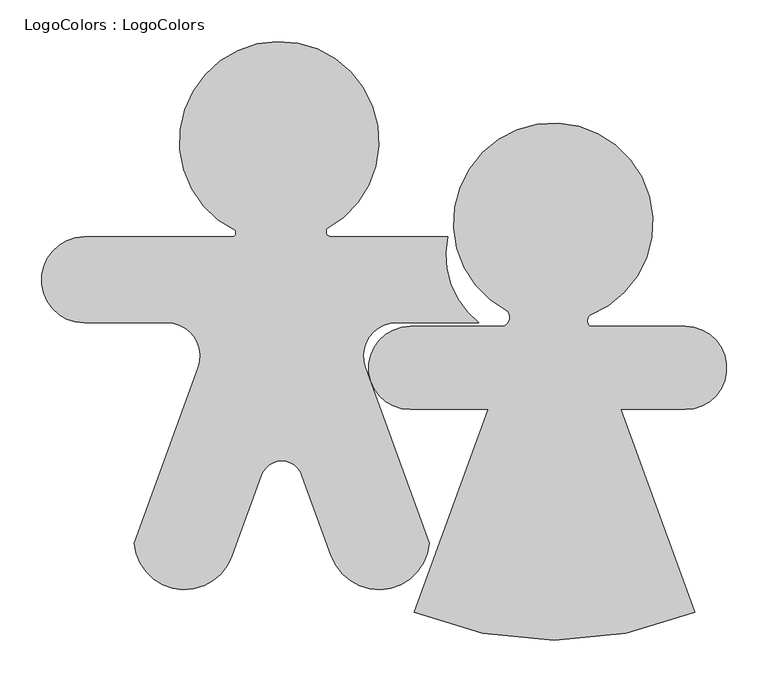
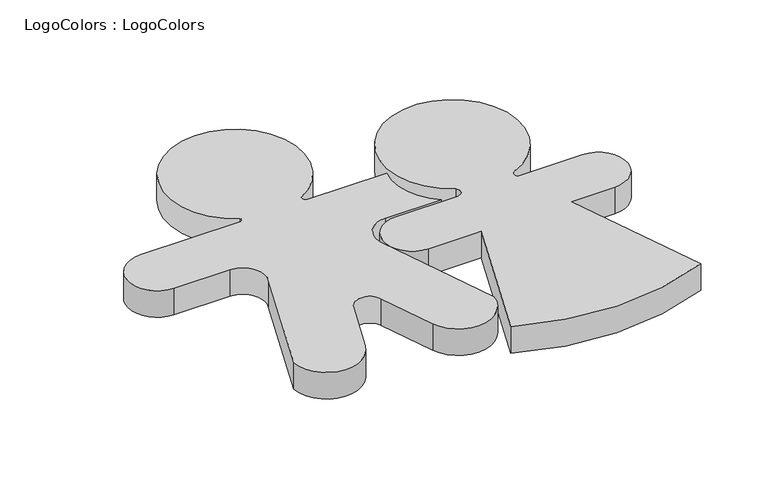
"""IFC4 building model written with IfcOpenShell, lengths in millimetres: furniture geometry, LogoColors : LogoColors."""

import ifcopenshell
import ifcopenshell.guid

model = None  # the IFC model being written
_history = None  # IfcOwnerHistory: only IFC2X3 demands one
_inside = {}  # id of a spatial element -> (the spatial element, [elements in it])
_under = {}  # id of a project, library or spatial element -> (it, [spatial elements below it])
_declared = {}  # id of a project -> (the project, [libraries it declares])
_typed = {}  # id of a type object -> (the type object, [elements of that type])
_made_of = {}  # id of a material, layer set ... -> (it, [elements and type objects made of it])


def new_model(schema):
    """Start an empty IFC model of exactly this schema.

    Asked for "IFC4X3", IfcOpenShell would pick the latest addendum, in which some entities
    have other attributes; the version numbers below select the first issue.
    IFC2X3 requires an IfcOwnerHistory on every rooted entity: one is made here for all.
    """
    global model, _history
    if schema == "IFC4X3":
        model = ifcopenshell.file(schema_version=(4, 3, 0, 0))
    else:
        model = ifcopenshell.file(schema=schema)
    _inside.clear()
    _under.clear()
    _declared.clear()
    _typed.clear()
    _made_of.clear()
    _history = None
    if model.schema == "IFC2X3":
        org = make("IfcOrganization", Name="unknown")
        user = make(
            "IfcPersonAndOrganization",
            ThePerson=make("IfcPerson", FamilyName="unknown"),
            TheOrganization=org,
        )
        app = make(
            "IfcApplication",
            ApplicationDeveloper=org,
            Version="unknown",
            ApplicationFullName="unknown",
            ApplicationIdentifier="unknown",
        )
        _history = make(
            "IfcOwnerHistory",
            OwningUser=user,
            OwningApplication=app,
            ChangeAction="ADDED",
            CreationDate=0,
        )
    return model


def make(cls, **values):
    """One entity of the class cls with the attributes given. An attribute that is None is left unset."""
    return model.create_entity(
        cls, **{name: value for name, value in values.items() if value is not None}
    )


def rooted(cls, **values):
    """An entity with a GlobalId (a new one), such as an element, a storey or a relation."""
    return make(cls, GlobalId=ifcopenshell.guid.new(), OwnerHistory=_history, **values)


def si_unit(unit_type, name, prefix=None):
    """IfcSIUnit, for example si_unit("LENGTHUNIT", "METRE", prefix="MILLI")."""
    return make("IfcSIUnit", UnitType=unit_type, Prefix=prefix, Name=name)


def assignment(units):
    """IfcUnitAssignment: the units of a project."""
    return None if units is None else make("IfcUnitAssignment", Units=units)


def point(xyz):
    """IfcCartesianPoint."""
    return None if xyz is None else make("IfcCartesianPoint", Coordinates=xyz)


def direction(xyz):
    """IfcDirection."""
    return None if xyz is None else make("IfcDirection", DirectionRatios=xyz)


def frame(location, z_axis=None, x_axis=None):
    """IfcAxis2Placement3D, a coordinate frame: its origin and axes. An axis left out is left unset."""
    return make(
        "IfcAxis2Placement3D",
        Location=point(location),
        Axis=direction(z_axis),
        RefDirection=direction(x_axis),
    )


def frame_2d(location, x_axis=None):
    """IfcAxis2Placement2D, a coordinate frame in the plane: its origin and x axis."""
    return make(
        "IfcAxis2Placement2D", Location=point(location), RefDirection=direction(x_axis)
    )


def origin():
    """The frame at (0, 0, 0) with its axes left unset."""
    return frame((0.0, 0.0, 0.0))


def origin_with_axes():
    """The frame at (0, 0, 0) with the z axis (0, 0, 1) and the x axis (1, 0, 0) written out."""
    return frame((0.0, 0.0, 0.0), z_axis=(0.0, 0.0, 1.0), x_axis=(1.0, 0.0, 0.0))


def place(relative_to, where):
    """IfcLocalPlacement: puts the frame where relative to a parent placement (None: the world)."""
    return make(
        "IfcLocalPlacement", PlacementRelTo=relative_to, RelativePlacement=where
    )


def context(
    kind, dimensions, precision=None, world=None, true_north=None, identifier=None
):
    """IfcGeometricRepresentationContext, for example the 3D "Model" context."""
    return make(
        "IfcGeometricRepresentationContext",
        ContextIdentifier=identifier,
        ContextType=kind,
        CoordinateSpaceDimension=dimensions,
        Precision=precision,
        WorldCoordinateSystem=world,
        TrueNorth=true_north,
    )


def project(units=None, contexts=None):
    """IfcProject with its units and contexts."""
    return rooted(
        "IfcProject",
        Name="project",
        RepresentationContexts=contexts,
        UnitsInContext=assignment(units),
    )


def spatial(cls, under=None, at=None, **own):
    """A site, building, storey or space (cls), placed at a placement, below another one or the project."""
    s = rooted(cls, ObjectPlacement=at, **own)
    if under is not None:
        _under.setdefault(under.id(), (under, []))[1].append(s)
    return s


def polyline(points):
    """IfcPolyline through the points."""
    return make("IfcPolyline", Points=[point(p) for p in points])


def circle_curve(where, radius):
    """IfcCircle in the frame where."""
    return make("IfcCircle", Position=where, Radius=radius)


def trimmed(basis, trim1, trim2, sense, master):
    """IfcTrimmedCurve: the piece of a basis curve between two trims."""
    return make(
        "IfcTrimmedCurve",
        BasisCurve=basis,
        Trim1=trim1,
        Trim2=trim2,
        SenseAgreement=sense,
        MasterRepresentation=master,
    )


def segment(curve, same_sense, transition):
    """IfcCompositeCurveSegment."""
    return make(
        "IfcCompositeCurveSegment",
        Transition=transition,
        SameSense=same_sense,
        ParentCurve=curve,
    )


def composite_curve(segments, self_intersect=None):
    """IfcCompositeCurve: segments joined end to end."""
    return make("IfcCompositeCurve", Segments=segments, SelfIntersect=self_intersect)


def outline(outer, holes=None, kind="AREA"):
    """IfcArbitraryClosedProfileDef: a profile drawn as a closed curve; with holes, ...WithVoids."""
    if holes is None:
        return make("IfcArbitraryClosedProfileDef", ProfileType=kind, OuterCurve=outer)
    return make(
        "IfcArbitraryProfileDefWithVoids",
        ProfileType=kind,
        OuterCurve=outer,
        InnerCurves=holes,
    )


def extrude(swept, where, along, depth):
    """IfcExtrudedAreaSolid: the profile swept, set in the frame where, extruded along a direction by depth."""
    return make(
        "IfcExtrudedAreaSolid",
        SweptArea=swept,
        Position=where,
        ExtrudedDirection=direction(along),
        Depth=depth,
    )


def shape(context_of_items, identifier, shape_type, items):
    """IfcShapeRepresentation: the items that make up one representation, for example the "Body"."""
    return make(
        "IfcShapeRepresentation",
        ContextOfItems=context_of_items,
        RepresentationIdentifier=identifier,
        RepresentationType=shape_type,
        Items=items,
    )


def source(mapping_origin, context_of_items, identifier, shape_type, items):
    """IfcRepresentationMap: a shape defined once, which mapped items show again and again."""
    return make(
        "IfcRepresentationMap",
        MappingOrigin=mapping_origin,
        MappedRepresentation=shape(context_of_items, identifier, shape_type, items),
    )


def transform(
    local_origin,
    x_axis=None,
    y_axis=None,
    z_axis=None,
    scale=None,
    scale2=None,
    scale3=None,
    uniform=True,
):
    """IfcCartesianTransformationOperator3D, or its non-uniform kind. x_axis, y_axis, z_axis: its Axis1, 2, 3."""
    if uniform:
        return make(
            "IfcCartesianTransformationOperator3D",
            Axis1=direction(x_axis),
            Axis2=direction(y_axis),
            LocalOrigin=point(local_origin),
            Scale=scale,
            Axis3=direction(z_axis),
        )
    return make(
        "IfcCartesianTransformationOperator3DnonUniform",
        Axis1=direction(x_axis),
        Axis2=direction(y_axis),
        LocalOrigin=point(local_origin),
        Scale=scale,
        Axis3=direction(z_axis),
        Scale2=scale2,
        Scale3=scale3,
    )


def mapped(mapping_source, mapping_target):
    """IfcMappedItem: shows the shape of a source again, moved by a transform."""
    return make(
        "IfcMappedItem", MappingSource=mapping_source, MappingTarget=mapping_target
    )


def made_of(thing, what):
    """Note that an element or type object is made of a material, layer set ...; save() writes the relation."""
    if what is not None:
        _made_of.setdefault(what.id(), (what, []))[1].append(thing)
    return thing


def element(
    cls,
    number,
    at=None,
    inside=None,
    cuts=None,
    type_object=None,
    material=None,
    context=None,
    identifier="Body",
    shape_type=None,
    held_by="IfcProductDefinitionShape",
    body=None,
    shapes=None,
    **own,
):
    """One element of the class cls, such as IfcWall. Its Tag is "e" and its number.

    at: its placement. inside: the storey or other place that contains it. cuts: it is an
    opening in that element (IfcRelVoidsElement). A single representation is given by context,
    identifier, shape_type and body (its items); several are given by shapes. held_by: the class
    of the entity that holds the representations. save() writes the other relations.
    """
    e = rooted(cls, Tag="e%d" % number, ObjectPlacement=at, **own)
    if body is not None:
        shapes = [shape(context, identifier, shape_type, body)]
    if shapes is not None:
        e.Representation = make(held_by, Representations=shapes)
    if inside is not None:
        _inside.setdefault(inside.id(), (inside, []))[1].append(e)
    if cuts is not None:
        rooted(
            "IfcRelVoidsElement", RelatingBuildingElement=cuts, RelatedOpeningElement=e
        )
    if type_object is not None:
        _typed.setdefault(type_object.id(), (type_object, []))[1].append(e)
    return made_of(e, material)


def aggregate(whole, parts):
    """IfcRelAggregates: a whole, such as a stair, and the parts it consists of."""
    return rooted("IfcRelAggregates", RelatingObject=whole, RelatedObjects=parts)


def save(model, path):
    """Write the relations noted so far, then the file.

    IfcRelAggregates (storeys below a building ...), IfcRelContainedInSpatialStructure (elements
    in a storey), IfcRelDefinesByType, IfcRelAssociatesMaterial and IfcRelDeclares: one each for
    every whole, place, type object, material and project.
    """
    for whole, parts in _under.values():
        aggregate(whole, parts)
    for where, things in _inside.values():
        rooted(
            "IfcRelContainedInSpatialStructure",
            RelatedElements=things,
            RelatingStructure=where,
        )
    for kind, things in _typed.values():
        rooted("IfcRelDefinesByType", RelatedObjects=things, RelatingType=kind)
    for what, things in _made_of.values():
        rooted("IfcRelAssociatesMaterial", RelatedObjects=things, RelatingMaterial=what)
    for by, libraries in _declared.values():
        rooted("IfcRelDeclares", RelatingContext=by, RelatedDefinitions=libraries)
    model.write(path)


def logocolors_logocolors_a21f3aca(model_context):
    return source(origin(), model_context, "Body", "SweptSolid", [
        extrude(outline(composite_curve([segment(trimmed(circle_curve(frame_2d((2632.5860589, 262.4902378)), 120.0), [point((2577.5874928, 155.8358533))], [point((2676.930075, 150.9841472))], False, "CARTESIAN"), True, "CONTINUOUS"), segment(trimmed(circle_curve(frame_2d((2682.2767479, 144.2865241)), 8.5700097), [point((2676.930075, 150.9841472))], [point((2676.930075, 137.588901))], True, "CARTESIAN"), True, "CONTINUOUS"), segment(polyline([(2676.930075, 137.588901), (2791.6224562, 137.588901)]), True, "CONTINUOUS"), segment(trimmed(circle_curve(frame_2d((2791.6224562, 87.588901)), 50.0), [point((2791.6224562, 137.588901))], [point((2791.6224562, 37.588901))], False, "CARTESIAN"), True, "CONTINUOUS"), segment(polyline([(2791.6224562, 37.588901), (2714.1224562, 37.588901), (2803.0476935, -206.7311804)]), True, "CONTINUOUS"), segment(trimmed(circle_curve(frame_2d((2634.1224562, 202.2076937)), 442.4553521), [point((2803.0476935, -206.7311804))], [point((2465.197219, -206.7311804))], False, "CARTESIAN"), True, "CONTINUOUS"), segment(polyline([(2465.197219, -206.7311804), (2554.1224562, 37.588901), (2460.3724562, 37.588901)]), True, "CONTINUOUS"), segment(trimmed(circle_curve(frame_2d((2460.3724562, 87.588901)), 50.0), [point((2460.3724562, 37.588901))], [point((2460.3724562, 137.588901))], False, "CARTESIAN"), True, "CONTINUOUS"), segment(polyline([(2460.3724562, 137.588901), (2570.805945, 137.588901)]), True, "CONTINUOUS"), segment(trimmed(circle_curve(frame_2d((2569.4920075, 148.4609007)), 10.95111), [point((2570.805945, 137.588901))], [point((2577.5874928, 155.8358533))], True, "CARTESIAN"), True, "CONTINUOUS")], self_intersect=False)), origin_with_axes(), (0.0, 0.0, 1.0), 50.0),
        extrude(outline(composite_curve([segment(trimmed(circle_curve(frame_2d((2302.6009779, 360.8218772)), 120.0), [point((2249.5889132, 253.1663107))], [point((2359.8220242, 255.3431975))], False, "CARTESIAN"), True, "CONTINUOUS"), segment(trimmed(circle_curve(frame_2d((2365.5800704, 252.036969)), 6.6397472), [point((2359.8220242, 255.3431975))], [point((2365.5800704, 245.3972217))], True, "CARTESIAN"), True, "CONTINUOUS"), segment(polyline([(2365.5800704, 245.3972217), (2505.5800704, 245.3972217)]), True, "CONTINUOUS"), segment(trimmed(circle_curve(frame_2d((2604.4536488, 222.8634265)), 101.4088578), [point((2505.5800704, 245.3972217))], [point((2543.1965378, 142.0468267))], True, "CARTESIAN"), True, "CONTINUOUS"), segment(polyline([(2543.1965378, 142.0468267), (2443.7852485, 142.0468267)]), True, "CONTINUOUS"), segment(trimmed(circle_curve(frame_2d((2443.7852485, 102.0468267)), 40.0), [point((2443.7852485, 142.0468267))], [point((2406.1975437, 88.366021))], True, "CARTESIAN"), True, "CONTINUOUS"), segment(polyline([(2406.1975437, 88.366021), (2483.302972, -123.4794023)]), True, "CONTINUOUS"), segment(trimmed(circle_curve(frame_2d((2422.7060044, -118.611865)), 60.7921492), [point((2483.302972, -123.4794023))], [point((2365.5800704, -139.4040046))], False, "CARTESIAN"), True, "CONTINUOUS"), segment(polyline([(2365.5800704, -139.4040046), (2329.9420031, -41.4892195)]), True, "CONTINUOUS"), segment(trimmed(circle_curve(frame_2d((2305.5800704, -50.3562379)), 25.9254273), [point((2329.9420031, -41.4892195))], [point((2281.2181376, -41.4892195))], True, "CARTESIAN"), True, "CONTINUOUS"), segment(polyline([(2281.2181376, -41.4892195), (2245.5800704, -139.4040046)]), True, "CONTINUOUS"), segment(trimmed(circle_curve(frame_2d((2188.4541364, -118.611865)), 60.7921492), [point((2245.5800704, -139.4040046))], [point((2127.8571687, -123.4794023))], False, "CARTESIAN"), True, "CONTINUOUS"), segment(polyline([(2127.8571687, -123.4794023), (2204.9625971, 88.366021)]), True, "CONTINUOUS"), segment(trimmed(circle_curve(frame_2d((2167.3748922, 102.0468267)), 40.0), [point((2204.9625971, 88.366021))], [point((2167.3748922, 142.0468267))], True, "CARTESIAN"), True, "CONTINUOUS"), segment(polyline([(2167.3748922, 142.0468267), (2067.9636029, 142.0468267)]), True, "CONTINUOUS"), segment(trimmed(circle_curve(frame_2d((2067.9636029, 193.7220242)), 51.6751975), [point((2067.9636029, 142.0468267))], [point((2067.9636029, 245.3972217))], False, "CARTESIAN"), True, "CONTINUOUS"), segment(polyline([(2067.9636029, 245.3972217), (2245.5800704, 245.3972217)]), True, "CONTINUOUS"), segment(trimmed(circle_curve(frame_2d((2245.5800704, 250.3160458)), 4.9188241), [point((2245.5800704, 245.3972217))], [point((2249.5889132, 253.1663107))], True, "CARTESIAN"), True, "CONTINUOUS")], self_intersect=False)), origin_with_axes(), (0.0, 0.0, 1.0), 50.0),
    ])


if __name__ == "__main__":
    model = new_model("IFC4")
    model_context = context("Model", 3, world=origin())
    ifc_project = project(units=[si_unit("LENGTHUNIT", "METRE", prefix="MILLI")], contexts=[model_context])
    site = spatial("IfcSite", under=ifc_project)
    building = spatial("IfcBuilding", under=site)
    placement = place(None, origin())
    logocolors_logocolors_shape = logocolors_logocolors_a21f3aca(model_context)
    element("IfcFurniture", 1, ObjectType="LogoColors : LogoColors", at=placement, inside=building, context=model_context, shape_type="MappedRepresentation", body=[
        mapped(logocolors_logocolors_shape, transform((0.0, 0.0, 0.0), x_axis=(1.0, 0.0, 0.0), y_axis=(0.0, 1.0, 0.0), z_axis=(0.0, 0.0, 1.0))),
    ])
    save(model, "model.ifc")
